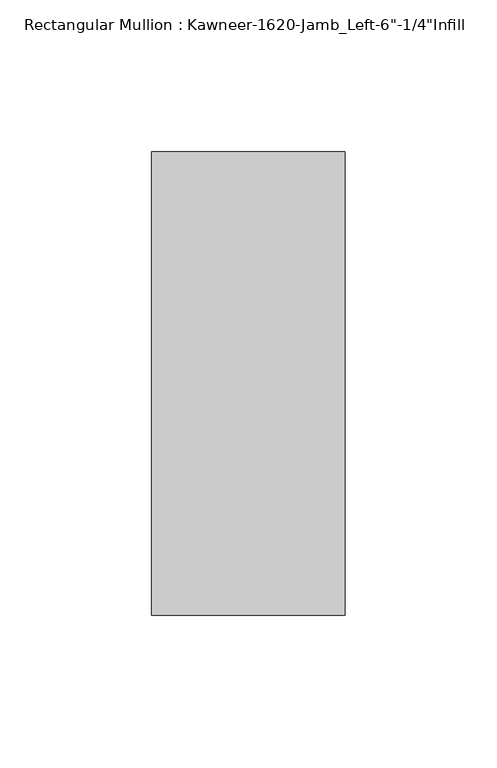
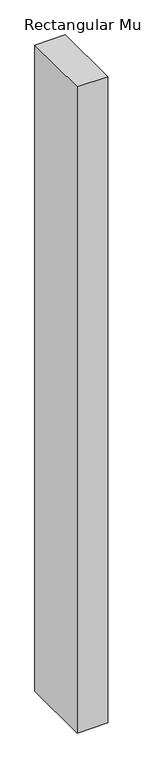
"""IFC4 building model written with IfcOpenShell, lengths in millimetres: member geometry."""

from ifc_helpers import new_model, si_unit, frame, origin, place, context, project, spatial, polyline, outline, extrude, source, transform, mapped, element, save


def member_13ffc809(model_context):
    return source(origin(), model_context, "Body", "SweptSolid", [
        extrude(outline(polyline([(-63.5, 28.575), (0.0, 28.575), (0.0, -123.825), (-63.5, -123.825), (-63.5, 28.575)])), frame((0.0, 0.0, -1422.4), z_axis=(0.0, 0.0, 1.0), x_axis=(1.0, 0.0, 0.0)), (0.0, 0.0, 1.0), 1422.4),
    ])


if __name__ == "__main__":
    model = new_model("IFC4")
    model_context = context("Model", 3, world=origin())
    ifc_project = project(units=[si_unit("LENGTHUNIT", "METRE", prefix="MILLI")], contexts=[model_context])
    site = spatial("IfcSite", under=ifc_project)
    building = spatial("IfcBuilding", under=site)
    placement = place(None, origin())
    member_shape = member_13ffc809(model_context)
    element("IfcMember", 1, ObjectType="Rectangular Mullion : Kawneer-1620-Jamb_Left-6\"-1/4\"Infill", at=placement, inside=building, context=model_context, shape_type="MappedRepresentation", body=[
        mapped(member_shape, transform((0.0, 0.0, 0.0), x_axis=(1.0, 0.0, 0.0), y_axis=(0.0, 1.0, 0.0), z_axis=(0.0, 0.0, 1.0))),
    ])
    save(model, "model.ifc")
